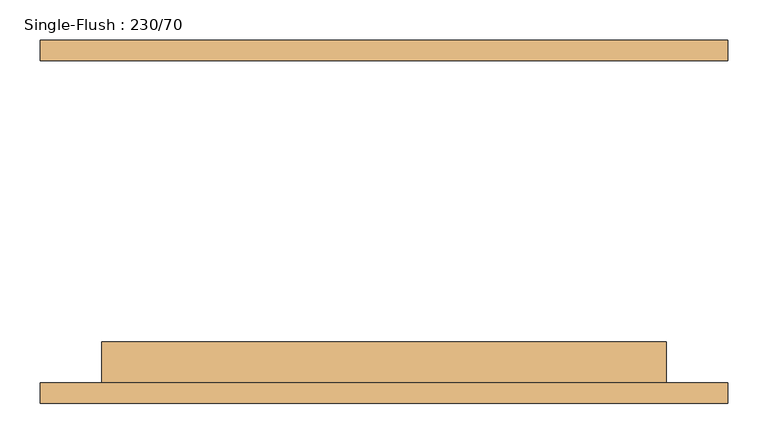
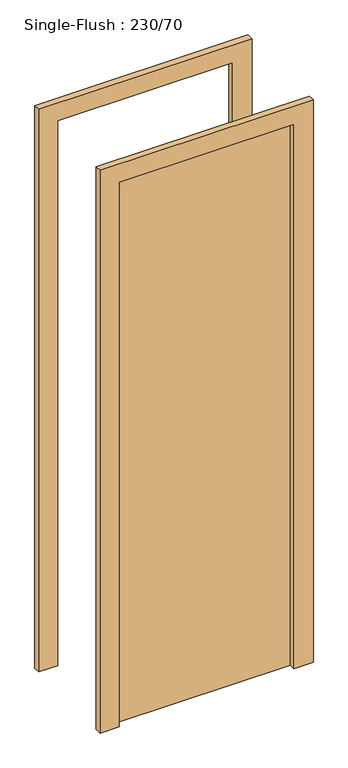
"""IFC4 building model written with IfcOpenShell, lengths in millimetres: door geometry, Single-Flush : 230/70."""

from ifc_helpers import new_model, si_unit, frame, origin, origin_with_axes, place, context, project, spatial, polyline, outline, extrude, source, transform, mapped, element, save


def single_flush_230_70_a7d8fb37(model_context):
    return source(origin(), model_context, "Body", "SweptSolid", [
        extrude(outline(polyline([(2376.2, -426.2), (0.0, -426.2), (0.0, -350.0), (2300.0, -350.0), (2300.0, 350.0), (0.0, 350.0), (0.0, 426.2), (2376.2, 426.2), (2376.2, -426.2)])), frame((0.0, -225.4, 0.0), z_axis=(0.0, 1.0, 0.0), x_axis=(0.0, 0.0, 1.0)), (0.0, 0.0, 1.0), 25.4),
        extrude(outline(polyline([(2376.2, 426.2), (2376.2, -426.2), (0.0, -426.2), (0.0, -350.0), (2300.0, -350.0), (2300.0, 350.0), (0.0, 350.0), (0.0, 426.2), (2376.2, 426.2)])), frame((0.0, 200.0, 0.0), z_axis=(0.0, 1.0, 0.0), x_axis=(0.0, 0.0, 1.0)), (0.0, 0.0, 1.0), 25.4),
        extrude(outline(polyline([(350.0, -149.2), (350.0, -200.0), (-350.0, -200.0), (-350.0, -149.2), (350.0, -149.2)])), origin_with_axes(), (0.0, 0.0, 1.0), 2300.0),
    ])


if __name__ == "__main__":
    model = new_model("IFC4")
    model_context = context("Model", 3, world=origin())
    ifc_project = project(units=[si_unit("LENGTHUNIT", "METRE", prefix="MILLI")], contexts=[model_context])
    site = spatial("IfcSite", under=ifc_project)
    building = spatial("IfcBuilding", under=site)
    placement = place(None, origin())
    single_flush_230_70_shape = single_flush_230_70_a7d8fb37(model_context)
    element("IfcDoor", 1, ObjectType="Single-Flush : 230/70", at=placement, inside=building, context=model_context, shape_type="MappedRepresentation", body=[
        mapped(single_flush_230_70_shape, transform((0.0, 0.0, 0.0), x_axis=(1.0, 0.0, 0.0), y_axis=(0.0, 1.0, 0.0), z_axis=(0.0, 0.0, 1.0))),
    ])
    save(model, "model.ifc")
